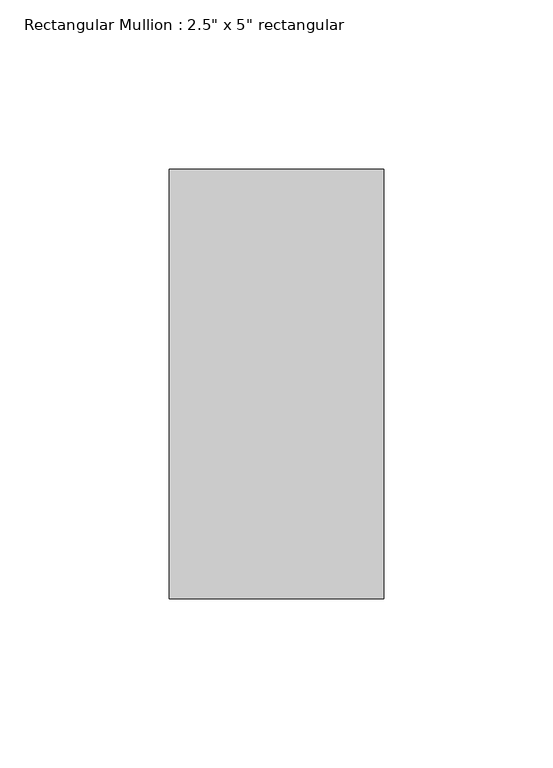
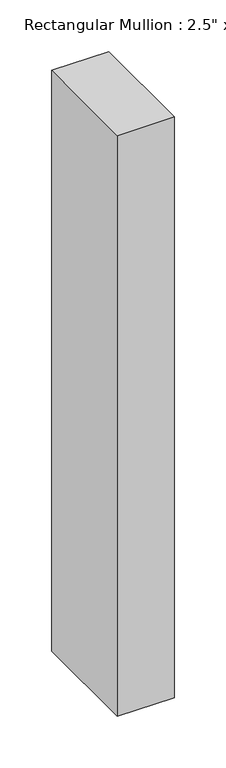
"""IFC4 building model written with IfcOpenShell, lengths in millimetres: member geometry."""

from ifc_helpers import new_model, si_unit, frame, origin, place, context, project, spatial, polyline, outline, extrude, source, transform, mapped, element, save


def member_6e28d7e1(model_context):
    return source(origin(), model_context, "Body", "SweptSolid", [
        extrude(outline(polyline([(0.0, 63.5), (0.0, -63.5), (-63.5, -63.5), (-63.5, 63.5), (0.0, 63.5)])), frame((0.0, 0.0, -685.8), z_axis=(0.0, 0.0, 1.0), x_axis=(1.0, 0.0, 0.0)), (0.0, 0.0, 1.0), 685.8),
    ])


if __name__ == "__main__":
    model = new_model("IFC4")
    model_context = context("Model", 3, world=origin())
    ifc_project = project(units=[si_unit("LENGTHUNIT", "METRE", prefix="MILLI")], contexts=[model_context])
    site = spatial("IfcSite", under=ifc_project)
    building = spatial("IfcBuilding", under=site)
    placement = place(None, origin())
    member_shape = member_6e28d7e1(model_context)
    element("IfcMember", 1, ObjectType="Rectangular Mullion : 2.5\" x 5\" rectangular", at=placement, inside=building, context=model_context, shape_type="MappedRepresentation", body=[
        mapped(member_shape, transform((0.0, 0.0, 0.0), x_axis=(1.0, 0.0, 0.0), y_axis=(0.0, 1.0, 0.0), z_axis=(0.0, 0.0, 1.0))),
    ])
    save(model, "model.ifc")
